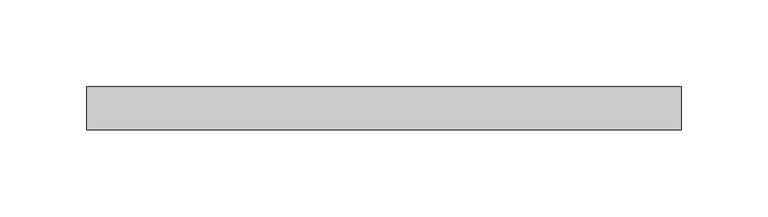
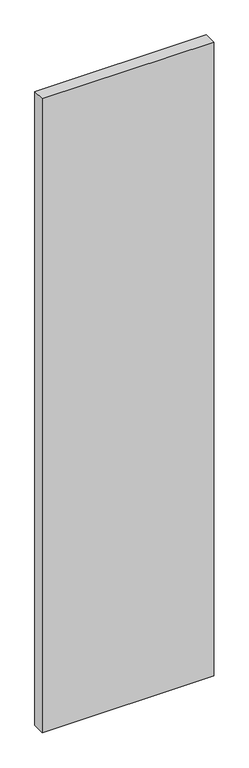
"""IFC4 building model written with IfcOpenShell, lengths in millimetres: plate geometry."""

import ifcopenshell
import ifcopenshell.guid

model = None  # the IFC model being written
_history = None  # IfcOwnerHistory: only IFC2X3 demands one
_inside = {}  # id of a spatial element -> (the spatial element, [elements in it])
_under = {}  # id of a project, library or spatial element -> (it, [spatial elements below it])
_declared = {}  # id of a project -> (the project, [libraries it declares])
_typed = {}  # id of a type object -> (the type object, [elements of that type])
_made_of = {}  # id of a material, layer set ... -> (it, [elements and type objects made of it])


def new_model(schema):
    """Start an empty IFC model of exactly this schema.

    Asked for "IFC4X3", IfcOpenShell would pick the latest addendum, in which some entities
    have other attributes; the version numbers below select the first issue.
    IFC2X3 requires an IfcOwnerHistory on every rooted entity: one is made here for all.
    """
    global model, _history
    if schema == "IFC4X3":
        model = ifcopenshell.file(schema_version=(4, 3, 0, 0))
    else:
        model = ifcopenshell.file(schema=schema)
    _inside.clear()
    _under.clear()
    _declared.clear()
    _typed.clear()
    _made_of.clear()
    _history = None
    if model.schema == "IFC2X3":
        org = make("IfcOrganization", Name="unknown")
        user = make(
            "IfcPersonAndOrganization",
            ThePerson=make("IfcPerson", FamilyName="unknown"),
            TheOrganization=org,
        )
        app = make(
            "IfcApplication",
            ApplicationDeveloper=org,
            Version="unknown",
            ApplicationFullName="unknown",
            ApplicationIdentifier="unknown",
        )
        _history = make(
            "IfcOwnerHistory",
            OwningUser=user,
            OwningApplication=app,
            ChangeAction="ADDED",
            CreationDate=0,
        )
    return model


def make(cls, **values):
    """One entity of the class cls with the attributes given. An attribute that is None is left unset."""
    return model.create_entity(
        cls, **{name: value for name, value in values.items() if value is not None}
    )


def rooted(cls, **values):
    """An entity with a GlobalId (a new one), such as an element, a storey or a relation."""
    return make(cls, GlobalId=ifcopenshell.guid.new(), OwnerHistory=_history, **values)


def si_unit(unit_type, name, prefix=None):
    """IfcSIUnit, for example si_unit("LENGTHUNIT", "METRE", prefix="MILLI")."""
    return make("IfcSIUnit", UnitType=unit_type, Prefix=prefix, Name=name)


def assignment(units):
    """IfcUnitAssignment: the units of a project."""
    return None if units is None else make("IfcUnitAssignment", Units=units)


def point(xyz):
    """IfcCartesianPoint."""
    return None if xyz is None else make("IfcCartesianPoint", Coordinates=xyz)


def direction(xyz):
    """IfcDirection."""
    return None if xyz is None else make("IfcDirection", DirectionRatios=xyz)


def frame(location, z_axis=None, x_axis=None):
    """IfcAxis2Placement3D, a coordinate frame: its origin and axes. An axis left out is left unset."""
    return make(
        "IfcAxis2Placement3D",
        Location=point(location),
        Axis=direction(z_axis),
        RefDirection=direction(x_axis),
    )


def origin():
    """The frame at (0, 0, 0) with its axes left unset."""
    return frame((0.0, 0.0, 0.0))


def origin_with_axes():
    """The frame at (0, 0, 0) with the z axis (0, 0, 1) and the x axis (1, 0, 0) written out."""
    return frame((0.0, 0.0, 0.0), z_axis=(0.0, 0.0, 1.0), x_axis=(1.0, 0.0, 0.0))


def place(relative_to, where):
    """IfcLocalPlacement: puts the frame where relative to a parent placement (None: the world)."""
    return make(
        "IfcLocalPlacement", PlacementRelTo=relative_to, RelativePlacement=where
    )


def context(
    kind, dimensions, precision=None, world=None, true_north=None, identifier=None
):
    """IfcGeometricRepresentationContext, for example the 3D "Model" context."""
    return make(
        "IfcGeometricRepresentationContext",
        ContextIdentifier=identifier,
        ContextType=kind,
        CoordinateSpaceDimension=dimensions,
        Precision=precision,
        WorldCoordinateSystem=world,
        TrueNorth=true_north,
    )


def project(units=None, contexts=None):
    """IfcProject with its units and contexts."""
    return rooted(
        "IfcProject",
        Name="project",
        RepresentationContexts=contexts,
        UnitsInContext=assignment(units),
    )


def spatial(cls, under=None, at=None, **own):
    """A site, building, storey or space (cls), placed at a placement, below another one or the project."""
    s = rooted(cls, ObjectPlacement=at, **own)
    if under is not None:
        _under.setdefault(under.id(), (under, []))[1].append(s)
    return s


def polyline(points):
    """IfcPolyline through the points."""
    return make("IfcPolyline", Points=[point(p) for p in points])


def outline(outer, holes=None, kind="AREA"):
    """IfcArbitraryClosedProfileDef: a profile drawn as a closed curve; with holes, ...WithVoids."""
    if holes is None:
        return make("IfcArbitraryClosedProfileDef", ProfileType=kind, OuterCurve=outer)
    return make(
        "IfcArbitraryProfileDefWithVoids",
        ProfileType=kind,
        OuterCurve=outer,
        InnerCurves=holes,
    )


def extrude(swept, where, along, depth):
    """IfcExtrudedAreaSolid: the profile swept, set in the frame where, extruded along a direction by depth."""
    return make(
        "IfcExtrudedAreaSolid",
        SweptArea=swept,
        Position=where,
        ExtrudedDirection=direction(along),
        Depth=depth,
    )


def shape(context_of_items, identifier, shape_type, items):
    """IfcShapeRepresentation: the items that make up one representation, for example the "Body"."""
    return make(
        "IfcShapeRepresentation",
        ContextOfItems=context_of_items,
        RepresentationIdentifier=identifier,
        RepresentationType=shape_type,
        Items=items,
    )


def source(mapping_origin, context_of_items, identifier, shape_type, items):
    """IfcRepresentationMap: a shape defined once, which mapped items show again and again."""
    return make(
        "IfcRepresentationMap",
        MappingOrigin=mapping_origin,
        MappedRepresentation=shape(context_of_items, identifier, shape_type, items),
    )


def transform(
    local_origin,
    x_axis=None,
    y_axis=None,
    z_axis=None,
    scale=None,
    scale2=None,
    scale3=None,
    uniform=True,
):
    """IfcCartesianTransformationOperator3D, or its non-uniform kind. x_axis, y_axis, z_axis: its Axis1, 2, 3."""
    if uniform:
        return make(
            "IfcCartesianTransformationOperator3D",
            Axis1=direction(x_axis),
            Axis2=direction(y_axis),
            LocalOrigin=point(local_origin),
            Scale=scale,
            Axis3=direction(z_axis),
        )
    return make(
        "IfcCartesianTransformationOperator3DnonUniform",
        Axis1=direction(x_axis),
        Axis2=direction(y_axis),
        LocalOrigin=point(local_origin),
        Scale=scale,
        Axis3=direction(z_axis),
        Scale2=scale2,
        Scale3=scale3,
    )


def mapped(mapping_source, mapping_target):
    """IfcMappedItem: shows the shape of a source again, moved by a transform."""
    return make(
        "IfcMappedItem", MappingSource=mapping_source, MappingTarget=mapping_target
    )


def made_of(thing, what):
    """Note that an element or type object is made of a material, layer set ...; save() writes the relation."""
    if what is not None:
        _made_of.setdefault(what.id(), (what, []))[1].append(thing)
    return thing


def element(
    cls,
    number,
    at=None,
    inside=None,
    cuts=None,
    type_object=None,
    material=None,
    context=None,
    identifier="Body",
    shape_type=None,
    held_by="IfcProductDefinitionShape",
    body=None,
    shapes=None,
    **own,
):
    """One element of the class cls, such as IfcWall. Its Tag is "e" and its number.

    at: its placement. inside: the storey or other place that contains it. cuts: it is an
    opening in that element (IfcRelVoidsElement). A single representation is given by context,
    identifier, shape_type and body (its items); several are given by shapes. held_by: the class
    of the entity that holds the representations. save() writes the other relations.
    """
    e = rooted(cls, Tag="e%d" % number, ObjectPlacement=at, **own)
    if body is not None:
        shapes = [shape(context, identifier, shape_type, body)]
    if shapes is not None:
        e.Representation = make(held_by, Representations=shapes)
    if inside is not None:
        _inside.setdefault(inside.id(), (inside, []))[1].append(e)
    if cuts is not None:
        rooted(
            "IfcRelVoidsElement", RelatingBuildingElement=cuts, RelatedOpeningElement=e
        )
    if type_object is not None:
        _typed.setdefault(type_object.id(), (type_object, []))[1].append(e)
    return made_of(e, material)


def aggregate(whole, parts):
    """IfcRelAggregates: a whole, such as a stair, and the parts it consists of."""
    return rooted("IfcRelAggregates", RelatingObject=whole, RelatedObjects=parts)


def save(model, path):
    """Write the relations noted so far, then the file.

    IfcRelAggregates (storeys below a building ...), IfcRelContainedInSpatialStructure (elements
    in a storey), IfcRelDefinesByType, IfcRelAssociatesMaterial and IfcRelDeclares: one each for
    every whole, place, type object, material and project.
    """
    for whole, parts in _under.values():
        aggregate(whole, parts)
    for where, things in _inside.values():
        rooted(
            "IfcRelContainedInSpatialStructure",
            RelatedElements=things,
            RelatingStructure=where,
        )
    for kind, things in _typed.values():
        rooted("IfcRelDefinesByType", RelatedObjects=things, RelatingType=kind)
    for what, things in _made_of.values():
        rooted("IfcRelAssociatesMaterial", RelatedObjects=things, RelatingMaterial=what)
    for by, libraries in _declared.values():
        rooted("IfcRelDeclares", RelatingContext=by, RelatedDefinitions=libraries)
    model.write(path)


def plate_7d363646(model_context):
    return source(origin(), model_context, "Body", "SweptSolid", [
        extrude(outline(polyline([(171.7364145, -12.5), (-171.7364145, -12.5), (-171.7364145, 12.5), (171.7364145, 12.5), (171.7364145, -12.5)])), origin_with_axes(), (0.0, 0.0, 1.0), 1342.2823646),
    ])


if __name__ == "__main__":
    model = new_model("IFC4")
    model_context = context("Model", 3, world=origin())
    ifc_project = project(units=[si_unit("LENGTHUNIT", "METRE", prefix="MILLI")], contexts=[model_context])
    site = spatial("IfcSite", under=ifc_project)
    building = spatial("IfcBuilding", under=site)
    placement = place(None, origin())
    plate_shape = plate_7d363646(model_context)
    element("IfcPlate", 1, at=placement, inside=building, context=model_context, shape_type="MappedRepresentation", body=[
        mapped(plate_shape, transform((0.0, 0.0, 0.0), x_axis=(1.0, 0.0, 0.0), y_axis=(0.0, 1.0, 0.0), z_axis=(0.0, 0.0, 1.0))),
    ])
    save(model, "model.ifc")
